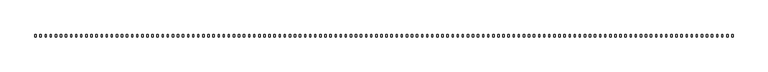
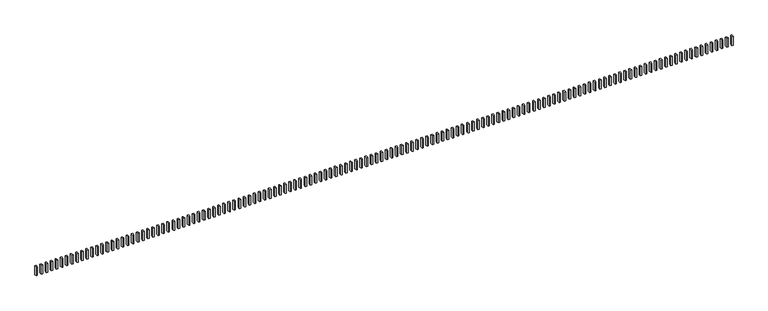
"""IFC4 building model written with IfcOpenShell, lengths in millimetres: railing geometry."""

import ifcopenshell
import ifcopenshell.guid

model = None  # the IFC model being written
_history = None  # IfcOwnerHistory: only IFC2X3 demands one
_inside = {}  # id of a spatial element -> (the spatial element, [elements in it])
_under = {}  # id of a project, library or spatial element -> (it, [spatial elements below it])
_declared = {}  # id of a project -> (the project, [libraries it declares])
_typed = {}  # id of a type object -> (the type object, [elements of that type])
_made_of = {}  # id of a material, layer set ... -> (it, [elements and type objects made of it])


def new_model(schema):
    """Start an empty IFC model of exactly this schema.

    Asked for "IFC4X3", IfcOpenShell would pick the latest addendum, in which some entities
    have other attributes; the version numbers below select the first issue.
    IFC2X3 requires an IfcOwnerHistory on every rooted entity: one is made here for all.
    """
    global model, _history
    if schema == "IFC4X3":
        model = ifcopenshell.file(schema_version=(4, 3, 0, 0))
    else:
        model = ifcopenshell.file(schema=schema)
    _inside.clear()
    _under.clear()
    _declared.clear()
    _typed.clear()
    _made_of.clear()
    _history = None
    if model.schema == "IFC2X3":
        org = make("IfcOrganization", Name="unknown")
        user = make(
            "IfcPersonAndOrganization",
            ThePerson=make("IfcPerson", FamilyName="unknown"),
            TheOrganization=org,
        )
        app = make(
            "IfcApplication",
            ApplicationDeveloper=org,
            Version="unknown",
            ApplicationFullName="unknown",
            ApplicationIdentifier="unknown",
        )
        _history = make(
            "IfcOwnerHistory",
            OwningUser=user,
            OwningApplication=app,
            ChangeAction="ADDED",
            CreationDate=0,
        )
    return model


def make(cls, **values):
    """One entity of the class cls with the attributes given. An attribute that is None is left unset."""
    return model.create_entity(
        cls, **{name: value for name, value in values.items() if value is not None}
    )


def rooted(cls, **values):
    """An entity with a GlobalId (a new one), such as an element, a storey or a relation."""
    return make(cls, GlobalId=ifcopenshell.guid.new(), OwnerHistory=_history, **values)


def si_unit(unit_type, name, prefix=None):
    """IfcSIUnit, for example si_unit("LENGTHUNIT", "METRE", prefix="MILLI")."""
    return make("IfcSIUnit", UnitType=unit_type, Prefix=prefix, Name=name)


def assignment(units):
    """IfcUnitAssignment: the units of a project."""
    return None if units is None else make("IfcUnitAssignment", Units=units)


def point(xyz):
    """IfcCartesianPoint."""
    return None if xyz is None else make("IfcCartesianPoint", Coordinates=xyz)


def direction(xyz):
    """IfcDirection."""
    return None if xyz is None else make("IfcDirection", DirectionRatios=xyz)


def frame(location, z_axis=None, x_axis=None):
    """IfcAxis2Placement3D, a coordinate frame: its origin and axes. An axis left out is left unset."""
    return make(
        "IfcAxis2Placement3D",
        Location=point(location),
        Axis=direction(z_axis),
        RefDirection=direction(x_axis),
    )


def origin():
    """The frame at (0, 0, 0) with its axes left unset."""
    return frame((0.0, 0.0, 0.0))


def place(relative_to, where):
    """IfcLocalPlacement: puts the frame where relative to a parent placement (None: the world)."""
    return make(
        "IfcLocalPlacement", PlacementRelTo=relative_to, RelativePlacement=where
    )


def context(
    kind, dimensions, precision=None, world=None, true_north=None, identifier=None
):
    """IfcGeometricRepresentationContext, for example the 3D "Model" context."""
    return make(
        "IfcGeometricRepresentationContext",
        ContextIdentifier=identifier,
        ContextType=kind,
        CoordinateSpaceDimension=dimensions,
        Precision=precision,
        WorldCoordinateSystem=world,
        TrueNorth=true_north,
    )


def project(units=None, contexts=None):
    """IfcProject with its units and contexts."""
    return rooted(
        "IfcProject",
        Name="project",
        RepresentationContexts=contexts,
        UnitsInContext=assignment(units),
    )


def spatial(cls, under=None, at=None, **own):
    """A site, building, storey or space (cls), placed at a placement, below another one or the project."""
    s = rooted(cls, ObjectPlacement=at, **own)
    if under is not None:
        _under.setdefault(under.id(), (under, []))[1].append(s)
    return s


def polyline(points):
    """IfcPolyline through the points."""
    return make("IfcPolyline", Points=[point(p) for p in points])


def outline(outer, holes=None, kind="AREA"):
    """IfcArbitraryClosedProfileDef: a profile drawn as a closed curve; with holes, ...WithVoids."""
    if holes is None:
        return make("IfcArbitraryClosedProfileDef", ProfileType=kind, OuterCurve=outer)
    return make(
        "IfcArbitraryProfileDefWithVoids",
        ProfileType=kind,
        OuterCurve=outer,
        InnerCurves=holes,
    )


def extrude(swept, where, along, depth):
    """IfcExtrudedAreaSolid: the profile swept, set in the frame where, extruded along a direction by depth."""
    return make(
        "IfcExtrudedAreaSolid",
        SweptArea=swept,
        Position=where,
        ExtrudedDirection=direction(along),
        Depth=depth,
    )


def shape(context_of_items, identifier, shape_type, items):
    """IfcShapeRepresentation: the items that make up one representation, for example the "Body"."""
    return make(
        "IfcShapeRepresentation",
        ContextOfItems=context_of_items,
        RepresentationIdentifier=identifier,
        RepresentationType=shape_type,
        Items=items,
    )


def source(mapping_origin, context_of_items, identifier, shape_type, items):
    """IfcRepresentationMap: a shape defined once, which mapped items show again and again."""
    return make(
        "IfcRepresentationMap",
        MappingOrigin=mapping_origin,
        MappedRepresentation=shape(context_of_items, identifier, shape_type, items),
    )


def transform(
    local_origin,
    x_axis=None,
    y_axis=None,
    z_axis=None,
    scale=None,
    scale2=None,
    scale3=None,
    uniform=True,
):
    """IfcCartesianTransformationOperator3D, or its non-uniform kind. x_axis, y_axis, z_axis: its Axis1, 2, 3."""
    if uniform:
        return make(
            "IfcCartesianTransformationOperator3D",
            Axis1=direction(x_axis),
            Axis2=direction(y_axis),
            LocalOrigin=point(local_origin),
            Scale=scale,
            Axis3=direction(z_axis),
        )
    return make(
        "IfcCartesianTransformationOperator3DnonUniform",
        Axis1=direction(x_axis),
        Axis2=direction(y_axis),
        LocalOrigin=point(local_origin),
        Scale=scale,
        Axis3=direction(z_axis),
        Scale2=scale2,
        Scale3=scale3,
    )


def mapped(mapping_source, mapping_target):
    """IfcMappedItem: shows the shape of a source again, moved by a transform."""
    return make(
        "IfcMappedItem", MappingSource=mapping_source, MappingTarget=mapping_target
    )


def made_of(thing, what):
    """Note that an element or type object is made of a material, layer set ...; save() writes the relation."""
    if what is not None:
        _made_of.setdefault(what.id(), (what, []))[1].append(thing)
    return thing


def element(
    cls,
    number,
    at=None,
    inside=None,
    cuts=None,
    type_object=None,
    material=None,
    context=None,
    identifier="Body",
    shape_type=None,
    held_by="IfcProductDefinitionShape",
    body=None,
    shapes=None,
    **own,
):
    """One element of the class cls, such as IfcWall. Its Tag is "e" and its number.

    at: its placement. inside: the storey or other place that contains it. cuts: it is an
    opening in that element (IfcRelVoidsElement). A single representation is given by context,
    identifier, shape_type and body (its items); several are given by shapes. held_by: the class
    of the entity that holds the representations. save() writes the other relations.
    """
    e = rooted(cls, Tag="e%d" % number, ObjectPlacement=at, **own)
    if body is not None:
        shapes = [shape(context, identifier, shape_type, body)]
    if shapes is not None:
        e.Representation = make(held_by, Representations=shapes)
    if inside is not None:
        _inside.setdefault(inside.id(), (inside, []))[1].append(e)
    if cuts is not None:
        rooted(
            "IfcRelVoidsElement", RelatingBuildingElement=cuts, RelatedOpeningElement=e
        )
    if type_object is not None:
        _typed.setdefault(type_object.id(), (type_object, []))[1].append(e)
    return made_of(e, material)


def aggregate(whole, parts):
    """IfcRelAggregates: a whole, such as a stair, and the parts it consists of."""
    return rooted("IfcRelAggregates", RelatingObject=whole, RelatedObjects=parts)


def save(model, path):
    """Write the relations noted so far, then the file.

    IfcRelAggregates (storeys below a building ...), IfcRelContainedInSpatialStructure (elements
    in a storey), IfcRelDefinesByType, IfcRelAssociatesMaterial and IfcRelDeclares: one each for
    every whole, place, type object, material and project.
    """
    for whole, parts in _under.values():
        aggregate(whole, parts)
    for where, things in _inside.values():
        rooted(
            "IfcRelContainedInSpatialStructure",
            RelatedElements=things,
            RelatingStructure=where,
        )
    for kind, things in _typed.values():
        rooted("IfcRelDefinesByType", RelatedObjects=things, RelatingType=kind)
    for what, things in _made_of.values():
        rooted("IfcRelAssociatesMaterial", RelatedObjects=things, RelatingMaterial=what)
    for by, libraries in _declared.values():
        rooted("IfcRelDeclares", RelatingContext=by, RelatedDefinitions=libraries)
    model.write(path)


def railing_6b6cee79(model_context):
    return source(origin(), model_context, "Body", "SweptSolid", [
        extrude(outline(polyline([(13406.8631266, -7586.7880996), (13436.8631266, -7586.7880996), (13436.8631266, -7639.1640045), (13406.8631266, -7639.1640045), (13406.8631266, -7586.7880996)])), frame((0.0, 0.0, 2666.25), z_axis=(0.0, 0.0, 1.0), x_axis=(1.0, 0.0, 0.0)), (0.0, 0.0, 1.0), 223.0),
        extrude(outline(polyline([(13286.8631266, -7586.7880996), (13316.8631266, -7586.7880996), (13316.8631266, -7639.1640045), (13286.8631266, -7639.1640045), (13286.8631266, -7586.7880996)])), frame((0.0, 0.0, 2666.25), z_axis=(0.0, 0.0, 1.0), x_axis=(1.0, 0.0, 0.0)), (0.0, 0.0, 1.0), 223.0),
        extrude(outline(polyline([(13166.8631266, -7586.7880996), (13196.8631266, -7586.7880996), (13196.8631266, -7639.1640045), (13166.8631266, -7639.1640045), (13166.8631266, -7586.7880996)])), frame((0.0, 0.0, 2666.25), z_axis=(0.0, 0.0, 1.0), x_axis=(1.0, 0.0, 0.0)), (0.0, 0.0, 1.0), 223.0),
        extrude(outline(polyline([(13046.8631266, -7586.7880996), (13076.8631266, -7586.7880996), (13076.8631266, -7639.1640045), (13046.8631266, -7639.1640045), (13046.8631266, -7586.7880996)])), frame((0.0, 0.0, 2666.25), z_axis=(0.0, 0.0, 1.0), x_axis=(1.0, 0.0, 0.0)), (0.0, 0.0, 1.0), 223.0),
        extrude(outline(polyline([(12926.8631266, -7586.7880996), (12956.8631266, -7586.7880996), (12956.8631266, -7639.1640045), (12926.8631266, -7639.1640045), (12926.8631266, -7586.7880996)])), frame((0.0, 0.0, 2666.25), z_axis=(0.0, 0.0, 1.0), x_axis=(1.0, 0.0, 0.0)), (0.0, 0.0, 1.0), 223.0),
        extrude(outline(polyline([(12806.8631266, -7586.7880996), (12836.8631266, -7586.7880996), (12836.8631266, -7639.1640045), (12806.8631266, -7639.1640045), (12806.8631266, -7586.7880996)])), frame((0.0, 0.0, 2666.25), z_axis=(0.0, 0.0, 1.0), x_axis=(1.0, 0.0, 0.0)), (0.0, 0.0, 1.0), 223.0),
        extrude(outline(polyline([(12686.8631266, -7586.7880996), (12716.8631266, -7586.7880996), (12716.8631266, -7639.1640045), (12686.8631266, -7639.1640045), (12686.8631266, -7586.7880996)])), frame((0.0, 0.0, 2666.25), z_axis=(0.0, 0.0, 1.0), x_axis=(1.0, 0.0, 0.0)), (0.0, 0.0, 1.0), 223.0),
        extrude(outline(polyline([(12566.8631266, -7586.7880996), (12596.8631266, -7586.7880996), (12596.8631266, -7639.1640045), (12566.8631266, -7639.1640045), (12566.8631266, -7586.7880996)])), frame((0.0, 0.0, 2666.25), z_axis=(0.0, 0.0, 1.0), x_axis=(1.0, 0.0, 0.0)), (0.0, 0.0, 1.0), 223.0),
        extrude(outline(polyline([(12446.8631266, -7586.7880996), (12476.8631266, -7586.7880996), (12476.8631266, -7639.1640045), (12446.8631266, -7639.1640045), (12446.8631266, -7586.7880996)])), frame((0.0, 0.0, 2666.25), z_axis=(0.0, 0.0, 1.0), x_axis=(1.0, 0.0, 0.0)), (0.0, 0.0, 1.0), 223.0),
        extrude(outline(polyline([(12326.8631266, -7586.7880996), (12356.8631266, -7586.7880996), (12356.8631266, -7639.1640045), (12326.8631266, -7639.1640045), (12326.8631266, -7586.7880996)])), frame((0.0, 0.0, 2666.25), z_axis=(0.0, 0.0, 1.0), x_axis=(1.0, 0.0, 0.0)), (0.0, 0.0, 1.0), 223.0),
        extrude(outline(polyline([(12206.8631266, -7586.7880996), (12236.8631266, -7586.7880996), (12236.8631266, -7639.1640045), (12206.8631266, -7639.1640045), (12206.8631266, -7586.7880996)])), frame((0.0, 0.0, 2666.25), z_axis=(0.0, 0.0, 1.0), x_axis=(1.0, 0.0, 0.0)), (0.0, 0.0, 1.0), 223.0),
        extrude(outline(polyline([(12086.8631266, -7586.7880996), (12116.8631266, -7586.7880996), (12116.8631266, -7639.1640045), (12086.8631266, -7639.1640045), (12086.8631266, -7586.7880996)])), frame((0.0, 0.0, 2666.25), z_axis=(0.0, 0.0, 1.0), x_axis=(1.0, 0.0, 0.0)), (0.0, 0.0, 1.0), 223.0),
        extrude(outline(polyline([(11966.8631266, -7586.7880996), (11996.8631266, -7586.7880996), (11996.8631266, -7639.1640045), (11966.8631266, -7639.1640045), (11966.8631266, -7586.7880996)])), frame((0.0, 0.0, 2666.25), z_axis=(0.0, 0.0, 1.0), x_axis=(1.0, 0.0, 0.0)), (0.0, 0.0, 1.0), 223.0),
        extrude(outline(polyline([(11846.8631266, -7586.7880996), (11876.8631266, -7586.7880996), (11876.8631266, -7639.1640045), (11846.8631266, -7639.1640045), (11846.8631266, -7586.7880996)])), frame((0.0, 0.0, 2666.25), z_axis=(0.0, 0.0, 1.0), x_axis=(1.0, 0.0, 0.0)), (0.0, 0.0, 1.0), 223.0),
        extrude(outline(polyline([(11726.8631266, -7586.7880996), (11756.8631266, -7586.7880996), (11756.8631266, -7639.1640045), (11726.8631266, -7639.1640045), (11726.8631266, -7586.7880996)])), frame((0.0, 0.0, 2666.25), z_axis=(0.0, 0.0, 1.0), x_axis=(1.0, 0.0, 0.0)), (0.0, 0.0, 1.0), 223.0),
        extrude(outline(polyline([(11606.8631266, -7586.7880996), (11636.8631266, -7586.7880996), (11636.8631266, -7639.1640045), (11606.8631266, -7639.1640045), (11606.8631266, -7586.7880996)])), frame((0.0, 0.0, 2666.25), z_axis=(0.0, 0.0, 1.0), x_axis=(1.0, 0.0, 0.0)), (0.0, 0.0, 1.0), 223.0),
        extrude(outline(polyline([(11486.8631266, -7586.7880996), (11516.8631266, -7586.7880996), (11516.8631266, -7639.1640045), (11486.8631266, -7639.1640045), (11486.8631266, -7586.7880996)])), frame((0.0, 0.0, 2666.25), z_axis=(0.0, 0.0, 1.0), x_axis=(1.0, 0.0, 0.0)), (0.0, 0.0, 1.0), 223.0),
        extrude(outline(polyline([(11366.8631266, -7586.7880996), (11396.8631266, -7586.7880996), (11396.8631266, -7639.1640045), (11366.8631266, -7639.1640045), (11366.8631266, -7586.7880996)])), frame((0.0, 0.0, 2666.25), z_axis=(0.0, 0.0, 1.0), x_axis=(1.0, 0.0, 0.0)), (0.0, 0.0, 1.0), 223.0),
        extrude(outline(polyline([(11246.8631266, -7586.7880996), (11276.8631266, -7586.7880996), (11276.8631266, -7639.1640045), (11246.8631266, -7639.1640045), (11246.8631266, -7586.7880996)])), frame((0.0, 0.0, 2666.25), z_axis=(0.0, 0.0, 1.0), x_axis=(1.0, 0.0, 0.0)), (0.0, 0.0, 1.0), 223.0),
        extrude(outline(polyline([(11126.8631266, -7586.7880996), (11156.8631266, -7586.7880996), (11156.8631266, -7639.1640045), (11126.8631266, -7639.1640045), (11126.8631266, -7586.7880996)])), frame((0.0, 0.0, 2666.25), z_axis=(0.0, 0.0, 1.0), x_axis=(1.0, 0.0, 0.0)), (0.0, 0.0, 1.0), 223.0),
        extrude(outline(polyline([(11006.8631266, -7586.7880996), (11036.8631266, -7586.7880996), (11036.8631266, -7639.1640045), (11006.8631266, -7639.1640045), (11006.8631266, -7586.7880996)])), frame((0.0, 0.0, 2666.25), z_axis=(0.0, 0.0, 1.0), x_axis=(1.0, 0.0, 0.0)), (0.0, 0.0, 1.0), 223.0),
        extrude(outline(polyline([(10886.8631266, -7586.7880996), (10916.8631266, -7586.7880996), (10916.8631266, -7639.1640045), (10886.8631266, -7639.1640045), (10886.8631266, -7586.7880996)])), frame((0.0, 0.0, 2666.25), z_axis=(0.0, 0.0, 1.0), x_axis=(1.0, 0.0, 0.0)), (0.0, 0.0, 1.0), 223.0),
        extrude(outline(polyline([(10766.8631266, -7586.7880996), (10796.8631266, -7586.7880996), (10796.8631266, -7639.1640045), (10766.8631266, -7639.1640045), (10766.8631266, -7586.7880996)])), frame((0.0, 0.0, 2666.25), z_axis=(0.0, 0.0, 1.0), x_axis=(1.0, 0.0, 0.0)), (0.0, 0.0, 1.0), 223.0),
        extrude(outline(polyline([(10646.8631266, -7586.7880996), (10676.8631266, -7586.7880996), (10676.8631266, -7639.1640045), (10646.8631266, -7639.1640045), (10646.8631266, -7586.7880996)])), frame((0.0, 0.0, 2666.25), z_axis=(0.0, 0.0, 1.0), x_axis=(1.0, 0.0, 0.0)), (0.0, 0.0, 1.0), 223.0),
        extrude(outline(polyline([(10526.8631266, -7586.7880996), (10556.8631266, -7586.7880996), (10556.8631266, -7639.1640045), (10526.8631266, -7639.1640045), (10526.8631266, -7586.7880996)])), frame((0.0, 0.0, 2666.25), z_axis=(0.0, 0.0, 1.0), x_axis=(1.0, 0.0, 0.0)), (0.0, 0.0, 1.0), 223.0),
        extrude(outline(polyline([(10406.8631266, -7586.7880996), (10436.8631266, -7586.7880996), (10436.8631266, -7639.1640045), (10406.8631266, -7639.1640045), (10406.8631266, -7586.7880996)])), frame((0.0, 0.0, 2666.25), z_axis=(0.0, 0.0, 1.0), x_axis=(1.0, 0.0, 0.0)), (0.0, 0.0, 1.0), 223.0),
        extrude(outline(polyline([(10286.8631266, -7586.7880996), (10316.8631266, -7586.7880996), (10316.8631266, -7639.1640045), (10286.8631266, -7639.1640045), (10286.8631266, -7586.7880996)])), frame((0.0, 0.0, 2666.25), z_axis=(0.0, 0.0, 1.0), x_axis=(1.0, 0.0, 0.0)), (0.0, 0.0, 1.0), 223.0),
        extrude(outline(polyline([(10166.8631266, -7586.7880996), (10196.8631266, -7586.7880996), (10196.8631266, -7639.1640045), (10166.8631266, -7639.1640045), (10166.8631266, -7586.7880996)])), frame((0.0, 0.0, 2666.25), z_axis=(0.0, 0.0, 1.0), x_axis=(1.0, 0.0, 0.0)), (0.0, 0.0, 1.0), 223.0),
        extrude(outline(polyline([(10046.8631266, -7586.7880996), (10076.8631266, -7586.7880996), (10076.8631266, -7639.1640045), (10046.8631266, -7639.1640045), (10046.8631266, -7586.7880996)])), frame((0.0, 0.0, 2666.25), z_axis=(0.0, 0.0, 1.0), x_axis=(1.0, 0.0, 0.0)), (0.0, 0.0, 1.0), 223.0),
        extrude(outline(polyline([(9926.8631266, -7586.7880996), (9956.8631266, -7586.7880996), (9956.8631266, -7639.1640045), (9926.8631266, -7639.1640045), (9926.8631266, -7586.7880996)])), frame((0.0, 0.0, 2666.25), z_axis=(0.0, 0.0, 1.0), x_axis=(1.0, 0.0, 0.0)), (0.0, 0.0, 1.0), 223.0),
        extrude(outline(polyline([(9806.8631266, -7586.7880996), (9836.8631266, -7586.7880996), (9836.8631266, -7639.1640045), (9806.8631266, -7639.1640045), (9806.8631266, -7586.7880996)])), frame((0.0, 0.0, 2666.25), z_axis=(0.0, 0.0, 1.0), x_axis=(1.0, 0.0, 0.0)), (0.0, 0.0, 1.0), 223.0),
        extrude(outline(polyline([(9686.8631266, -7586.7880996), (9716.8631266, -7586.7880996), (9716.8631266, -7639.1640045), (9686.8631266, -7639.1640045), (9686.8631266, -7586.7880996)])), frame((0.0, 0.0, 2666.25), z_axis=(0.0, 0.0, 1.0), x_axis=(1.0, 0.0, 0.0)), (0.0, 0.0, 1.0), 223.0),
        extrude(outline(polyline([(9566.8631266, -7586.7880996), (9596.8631266, -7586.7880996), (9596.8631266, -7639.1640045), (9566.8631266, -7639.1640045), (9566.8631266, -7586.7880996)])), frame((0.0, 0.0, 2666.25), z_axis=(0.0, 0.0, 1.0), x_axis=(1.0, 0.0, 0.0)), (0.0, 0.0, 1.0), 223.0),
        extrude(outline(polyline([(9446.8631266, -7586.7880996), (9476.8631266, -7586.7880996), (9476.8631266, -7639.1640045), (9446.8631266, -7639.1640045), (9446.8631266, -7586.7880996)])), frame((0.0, 0.0, 2666.25), z_axis=(0.0, 0.0, 1.0), x_axis=(1.0, 0.0, 0.0)), (0.0, 0.0, 1.0), 223.0),
        extrude(outline(polyline([(9326.8631266, -7586.7880996), (9356.8631266, -7586.7880996), (9356.8631266, -7639.1640045), (9326.8631266, -7639.1640045), (9326.8631266, -7586.7880996)])), frame((0.0, 0.0, 2666.25), z_axis=(0.0, 0.0, 1.0), x_axis=(1.0, 0.0, 0.0)), (0.0, 0.0, 1.0), 223.0),
        extrude(outline(polyline([(9206.8631266, -7586.7880996), (9236.8631266, -7586.7880996), (9236.8631266, -7639.1640045), (9206.8631266, -7639.1640045), (9206.8631266, -7586.7880996)])), frame((0.0, 0.0, 2666.25), z_axis=(0.0, 0.0, 1.0), x_axis=(1.0, 0.0, 0.0)), (0.0, 0.0, 1.0), 223.0),
        extrude(outline(polyline([(9086.8631266, -7586.7880996), (9116.8631266, -7586.7880996), (9116.8631266, -7639.1640045), (9086.8631266, -7639.1640045), (9086.8631266, -7586.7880996)])), frame((0.0, 0.0, 2666.25), z_axis=(0.0, 0.0, 1.0), x_axis=(1.0, 0.0, 0.0)), (0.0, 0.0, 1.0), 223.0),
        extrude(outline(polyline([(8966.8631266, -7586.7880996), (8996.8631266, -7586.7880996), (8996.8631266, -7639.1640045), (8966.8631266, -7639.1640045), (8966.8631266, -7586.7880996)])), frame((0.0, 0.0, 2666.25), z_axis=(0.0, 0.0, 1.0), x_axis=(1.0, 0.0, 0.0)), (0.0, 0.0, 1.0), 223.0),
        extrude(outline(polyline([(8846.8631266, -7586.7880996), (8876.8631266, -7586.7880996), (8876.8631266, -7639.1640045), (8846.8631266, -7639.1640045), (8846.8631266, -7586.7880996)])), frame((0.0, 0.0, 2666.25), z_axis=(0.0, 0.0, 1.0), x_axis=(1.0, 0.0, 0.0)), (0.0, 0.0, 1.0), 223.0),
        extrude(outline(polyline([(8726.8631266, -7586.7880996), (8756.8631266, -7586.7880996), (8756.8631266, -7639.1640045), (8726.8631266, -7639.1640045), (8726.8631266, -7586.7880996)])), frame((0.0, 0.0, 2666.25), z_axis=(0.0, 0.0, 1.0), x_axis=(1.0, 0.0, 0.0)), (0.0, 0.0, 1.0), 223.0),
        extrude(outline(polyline([(8606.8631266, -7586.7880996), (8636.8631266, -7586.7880996), (8636.8631266, -7639.1640045), (8606.8631266, -7639.1640045), (8606.8631266, -7586.7880996)])), frame((0.0, 0.0, 2666.25), z_axis=(0.0, 0.0, 1.0), x_axis=(1.0, 0.0, 0.0)), (0.0, 0.0, 1.0), 223.0),
        extrude(outline(polyline([(8486.8631266, -7586.7880996), (8516.8631266, -7586.7880996), (8516.8631266, -7639.1640045), (8486.8631266, -7639.1640045), (8486.8631266, -7586.7880996)])), frame((0.0, 0.0, 2666.25), z_axis=(0.0, 0.0, 1.0), x_axis=(1.0, 0.0, 0.0)), (0.0, 0.0, 1.0), 223.0),
        extrude(outline(polyline([(8366.8631266, -7586.7880996), (8396.8631266, -7586.7880996), (8396.8631266, -7639.1640045), (8366.8631266, -7639.1640045), (8366.8631266, -7586.7880996)])), frame((0.0, 0.0, 2666.25), z_axis=(0.0, 0.0, 1.0), x_axis=(1.0, 0.0, 0.0)), (0.0, 0.0, 1.0), 223.0),
        extrude(outline(polyline([(8246.8631266, -7586.7880996), (8276.8631266, -7586.7880996), (8276.8631266, -7639.1640045), (8246.8631266, -7639.1640045), (8246.8631266, -7586.7880996)])), frame((0.0, 0.0, 2666.25), z_axis=(0.0, 0.0, 1.0), x_axis=(1.0, 0.0, 0.0)), (0.0, 0.0, 1.0), 223.0),
        extrude(outline(polyline([(8126.8631266, -7586.7880996), (8156.8631266, -7586.7880996), (8156.8631266, -7639.1640045), (8126.8631266, -7639.1640045), (8126.8631266, -7586.7880996)])), frame((0.0, 0.0, 2666.25), z_axis=(0.0, 0.0, 1.0), x_axis=(1.0, 0.0, 0.0)), (0.0, 0.0, 1.0), 223.0),
        extrude(outline(polyline([(8006.8631266, -7586.7880996), (8036.8631266, -7586.7880996), (8036.8631266, -7639.1640045), (8006.8631266, -7639.1640045), (8006.8631266, -7586.7880996)])), frame((0.0, 0.0, 2666.25), z_axis=(0.0, 0.0, 1.0), x_axis=(1.0, 0.0, 0.0)), (0.0, 0.0, 1.0), 223.0),
        extrude(outline(polyline([(7886.8631266, -7586.7880996), (7916.8631266, -7586.7880996), (7916.8631266, -7639.1640045), (7886.8631266, -7639.1640045), (7886.8631266, -7586.7880996)])), frame((0.0, 0.0, 2666.25), z_axis=(0.0, 0.0, 1.0), x_axis=(1.0, 0.0, 0.0)), (0.0, 0.0, 1.0), 223.0),
        extrude(outline(polyline([(7766.8631266, -7586.7880996), (7796.8631266, -7586.7880996), (7796.8631266, -7639.1640045), (7766.8631266, -7639.1640045), (7766.8631266, -7586.7880996)])), frame((0.0, 0.0, 2666.25), z_axis=(0.0, 0.0, 1.0), x_axis=(1.0, 0.0, 0.0)), (0.0, 0.0, 1.0), 223.0),
        extrude(outline(polyline([(7646.8631266, -7586.7880996), (7676.8631266, -7586.7880996), (7676.8631266, -7639.1640045), (7646.8631266, -7639.1640045), (7646.8631266, -7586.7880996)])), frame((0.0, 0.0, 2666.25), z_axis=(0.0, 0.0, 1.0), x_axis=(1.0, 0.0, 0.0)), (0.0, 0.0, 1.0), 223.0),
        extrude(outline(polyline([(7526.8631266, -7586.7880996), (7556.8631266, -7586.7880996), (7556.8631266, -7639.1640045), (7526.8631266, -7639.1640045), (7526.8631266, -7586.7880996)])), frame((0.0, 0.0, 2666.25), z_axis=(0.0, 0.0, 1.0), x_axis=(1.0, 0.0, 0.0)), (0.0, 0.0, 1.0), 223.0),
        extrude(outline(polyline([(7406.8631266, -7586.7880996), (7436.8631266, -7586.7880996), (7436.8631266, -7639.1640045), (7406.8631266, -7639.1640045), (7406.8631266, -7586.7880996)])), frame((0.0, 0.0, 2666.25), z_axis=(0.0, 0.0, 1.0), x_axis=(1.0, 0.0, 0.0)), (0.0, 0.0, 1.0), 223.0),
        extrude(outline(polyline([(7286.8631266, -7586.7880996), (7316.8631266, -7586.7880996), (7316.8631266, -7639.1640045), (7286.8631266, -7639.1640045), (7286.8631266, -7586.7880996)])), frame((0.0, 0.0, 2666.25), z_axis=(0.0, 0.0, 1.0), x_axis=(1.0, 0.0, 0.0)), (0.0, 0.0, 1.0), 223.0),
        extrude(outline(polyline([(7166.8631266, -7586.7880996), (7196.8631266, -7586.7880996), (7196.8631266, -7639.1640045), (7166.8631266, -7639.1640045), (7166.8631266, -7586.7880996)])), frame((0.0, 0.0, 2666.25), z_axis=(0.0, 0.0, 1.0), x_axis=(1.0, 0.0, 0.0)), (0.0, 0.0, 1.0), 223.0),
        extrude(outline(polyline([(7046.8631266, -7586.7880996), (7076.8631266, -7586.7880996), (7076.8631266, -7639.1640045), (7046.8631266, -7639.1640045), (7046.8631266, -7586.7880996)])), frame((0.0, 0.0, 2666.25), z_axis=(0.0, 0.0, 1.0), x_axis=(1.0, 0.0, 0.0)), (0.0, 0.0, 1.0), 223.0),
        extrude(outline(polyline([(6926.8631266, -7586.7880996), (6956.8631266, -7586.7880996), (6956.8631266, -7639.1640045), (6926.8631266, -7639.1640045), (6926.8631266, -7586.7880996)])), frame((0.0, 0.0, 2666.25), z_axis=(0.0, 0.0, 1.0), x_axis=(1.0, 0.0, 0.0)), (0.0, 0.0, 1.0), 223.0),
        extrude(outline(polyline([(6806.8631266, -7586.7880996), (6836.8631266, -7586.7880996), (6836.8631266, -7639.1640045), (6806.8631266, -7639.1640045), (6806.8631266, -7586.7880996)])), frame((0.0, 0.0, 2666.25), z_axis=(0.0, 0.0, 1.0), x_axis=(1.0, 0.0, 0.0)), (0.0, 0.0, 1.0), 223.0),
        extrude(outline(polyline([(6686.8631266, -7586.7880996), (6716.8631266, -7586.7880996), (6716.8631266, -7639.1640045), (6686.8631266, -7639.1640045), (6686.8631266, -7586.7880996)])), frame((0.0, 0.0, 2666.25), z_axis=(0.0, 0.0, 1.0), x_axis=(1.0, 0.0, 0.0)), (0.0, 0.0, 1.0), 223.0),
        extrude(outline(polyline([(6566.8631266, -7586.7880996), (6596.8631266, -7586.7880996), (6596.8631266, -7639.1640045), (6566.8631266, -7639.1640045), (6566.8631266, -7586.7880996)])), frame((0.0, 0.0, 2666.25), z_axis=(0.0, 0.0, 1.0), x_axis=(1.0, 0.0, 0.0)), (0.0, 0.0, 1.0), 223.0),
        extrude(outline(polyline([(6446.8631266, -7586.7880996), (6476.8631266, -7586.7880996), (6476.8631266, -7639.1640045), (6446.8631266, -7639.1640045), (6446.8631266, -7586.7880996)])), frame((0.0, 0.0, 2666.25), z_axis=(0.0, 0.0, 1.0), x_axis=(1.0, 0.0, 0.0)), (0.0, 0.0, 1.0), 223.0),
        extrude(outline(polyline([(6326.8631266, -7586.7880996), (6356.8631266, -7586.7880996), (6356.8631266, -7639.1640045), (6326.8631266, -7639.1640045), (6326.8631266, -7586.7880996)])), frame((0.0, 0.0, 2666.25), z_axis=(0.0, 0.0, 1.0), x_axis=(1.0, 0.0, 0.0)), (0.0, 0.0, 1.0), 223.0),
        extrude(outline(polyline([(6206.8631266, -7586.7880996), (6236.8631266, -7586.7880996), (6236.8631266, -7639.1640045), (6206.8631266, -7639.1640045), (6206.8631266, -7586.7880996)])), frame((0.0, 0.0, 2666.25), z_axis=(0.0, 0.0, 1.0), x_axis=(1.0, 0.0, 0.0)), (0.0, 0.0, 1.0), 223.0),
        extrude(outline(polyline([(6086.8631266, -7586.7880996), (6116.8631266, -7586.7880996), (6116.8631266, -7639.1640045), (6086.8631266, -7639.1640045), (6086.8631266, -7586.7880996)])), frame((0.0, 0.0, 2666.25), z_axis=(0.0, 0.0, 1.0), x_axis=(1.0, 0.0, 0.0)), (0.0, 0.0, 1.0), 223.0),
        extrude(outline(polyline([(5966.8631266, -7586.7880996), (5996.8631266, -7586.7880996), (5996.8631266, -7639.1640045), (5966.8631266, -7639.1640045), (5966.8631266, -7586.7880996)])), frame((0.0, 0.0, 2666.25), z_axis=(0.0, 0.0, 1.0), x_axis=(1.0, 0.0, 0.0)), (0.0, 0.0, 1.0), 223.0),
        extrude(outline(polyline([(5846.8631266, -7586.7880996), (5876.8631266, -7586.7880996), (5876.8631266, -7639.1640045), (5846.8631266, -7639.1640045), (5846.8631266, -7586.7880996)])), frame((0.0, 0.0, 2666.25), z_axis=(0.0, 0.0, 1.0), x_axis=(1.0, 0.0, 0.0)), (0.0, 0.0, 1.0), 223.0),
        extrude(outline(polyline([(5726.8631266, -7586.7880996), (5756.8631266, -7586.7880996), (5756.8631266, -7639.1640045), (5726.8631266, -7639.1640045), (5726.8631266, -7586.7880996)])), frame((0.0, 0.0, 2666.25), z_axis=(0.0, 0.0, 1.0), x_axis=(1.0, 0.0, 0.0)), (0.0, 0.0, 1.0), 223.0),
        extrude(outline(polyline([(5606.8631266, -7586.7880996), (5636.8631266, -7586.7880996), (5636.8631266, -7639.1640045), (5606.8631266, -7639.1640045), (5606.8631266, -7586.7880996)])), frame((0.0, 0.0, 2666.25), z_axis=(0.0, 0.0, 1.0), x_axis=(1.0, 0.0, 0.0)), (0.0, 0.0, 1.0), 223.0),
        extrude(outline(polyline([(5486.8631266, -7586.7880996), (5516.8631266, -7586.7880996), (5516.8631266, -7639.1640045), (5486.8631266, -7639.1640045), (5486.8631266, -7586.7880996)])), frame((0.0, 0.0, 2666.25), z_axis=(0.0, 0.0, 1.0), x_axis=(1.0, 0.0, 0.0)), (0.0, 0.0, 1.0), 223.0),
        extrude(outline(polyline([(5366.8631266, -7586.7880996), (5396.8631266, -7586.7880996), (5396.8631266, -7639.1640045), (5366.8631266, -7639.1640045), (5366.8631266, -7586.7880996)])), frame((0.0, 0.0, 2666.25), z_axis=(0.0, 0.0, 1.0), x_axis=(1.0, 0.0, 0.0)), (0.0, 0.0, 1.0), 223.0),
        extrude(outline(polyline([(5246.8631266, -7586.7880996), (5276.8631266, -7586.7880996), (5276.8631266, -7639.1640045), (5246.8631266, -7639.1640045), (5246.8631266, -7586.7880996)])), frame((0.0, 0.0, 2666.25), z_axis=(0.0, 0.0, 1.0), x_axis=(1.0, 0.0, 0.0)), (0.0, 0.0, 1.0), 223.0),
        extrude(outline(polyline([(5126.8631266, -7586.7880996), (5156.8631266, -7586.7880996), (5156.8631266, -7639.1640045), (5126.8631266, -7639.1640045), (5126.8631266, -7586.7880996)])), frame((0.0, 0.0, 2666.25), z_axis=(0.0, 0.0, 1.0), x_axis=(1.0, 0.0, 0.0)), (0.0, 0.0, 1.0), 223.0),
        extrude(outline(polyline([(5006.8631266, -7586.7880996), (5036.8631266, -7586.7880996), (5036.8631266, -7639.1640045), (5006.8631266, -7639.1640045), (5006.8631266, -7586.7880996)])), frame((0.0, 0.0, 2666.25), z_axis=(0.0, 0.0, 1.0), x_axis=(1.0, 0.0, 0.0)), (0.0, 0.0, 1.0), 223.0),
        extrude(outline(polyline([(4886.8631266, -7586.7880996), (4916.8631266, -7586.7880996), (4916.8631266, -7639.1640045), (4886.8631266, -7639.1640045), (4886.8631266, -7586.7880996)])), frame((0.0, 0.0, 2666.25), z_axis=(0.0, 0.0, 1.0), x_axis=(1.0, 0.0, 0.0)), (0.0, 0.0, 1.0), 223.0),
        extrude(outline(polyline([(4766.8631266, -7586.7880996), (4796.8631266, -7586.7880996), (4796.8631266, -7639.1640045), (4766.8631266, -7639.1640045), (4766.8631266, -7586.7880996)])), frame((0.0, 0.0, 2666.25), z_axis=(0.0, 0.0, 1.0), x_axis=(1.0, 0.0, 0.0)), (0.0, 0.0, 1.0), 223.0),
        extrude(outline(polyline([(4646.8631266, -7586.7880996), (4676.8631266, -7586.7880996), (4676.8631266, -7639.1640045), (4646.8631266, -7639.1640045), (4646.8631266, -7586.7880996)])), frame((0.0, 0.0, 2666.25), z_axis=(0.0, 0.0, 1.0), x_axis=(1.0, 0.0, 0.0)), (0.0, 0.0, 1.0), 223.0),
        extrude(outline(polyline([(4526.8631266, -7586.7880996), (4556.8631266, -7586.7880996), (4556.8631266, -7639.1640045), (4526.8631266, -7639.1640045), (4526.8631266, -7586.7880996)])), frame((0.0, 0.0, 2666.25), z_axis=(0.0, 0.0, 1.0), x_axis=(1.0, 0.0, 0.0)), (0.0, 0.0, 1.0), 223.0),
        extrude(outline(polyline([(4406.8631266, -7586.7880996), (4436.8631266, -7586.7880996), (4436.8631266, -7639.1640045), (4406.8631266, -7639.1640045), (4406.8631266, -7586.7880996)])), frame((0.0, 0.0, 2666.25), z_axis=(0.0, 0.0, 1.0), x_axis=(1.0, 0.0, 0.0)), (0.0, 0.0, 1.0), 223.0),
        extrude(outline(polyline([(4286.8631266, -7586.7880996), (4316.8631266, -7586.7880996), (4316.8631266, -7639.1640045), (4286.8631266, -7639.1640045), (4286.8631266, -7586.7880996)])), frame((0.0, 0.0, 2666.25), z_axis=(0.0, 0.0, 1.0), x_axis=(1.0, 0.0, 0.0)), (0.0, 0.0, 1.0), 223.0),
        extrude(outline(polyline([(4166.8631266, -7586.7880996), (4196.8631266, -7586.7880996), (4196.8631266, -7639.1640045), (4166.8631266, -7639.1640045), (4166.8631266, -7586.7880996)])), frame((0.0, 0.0, 2666.25), z_axis=(0.0, 0.0, 1.0), x_axis=(1.0, 0.0, 0.0)), (0.0, 0.0, 1.0), 223.0),
        extrude(outline(polyline([(4046.8631266, -7586.7880996), (4076.8631266, -7586.7880996), (4076.8631266, -7639.1640045), (4046.8631266, -7639.1640045), (4046.8631266, -7586.7880996)])), frame((0.0, 0.0, 2666.25), z_axis=(0.0, 0.0, 1.0), x_axis=(1.0, 0.0, 0.0)), (0.0, 0.0, 1.0), 223.0),
        extrude(outline(polyline([(3926.8631266, -7586.7880996), (3956.8631266, -7586.7880996), (3956.8631266, -7639.1640045), (3926.8631266, -7639.1640045), (3926.8631266, -7586.7880996)])), frame((0.0, 0.0, 2666.25), z_axis=(0.0, 0.0, 1.0), x_axis=(1.0, 0.0, 0.0)), (0.0, 0.0, 1.0), 223.0),
        extrude(outline(polyline([(3806.8631266, -7586.7880996), (3836.8631266, -7586.7880996), (3836.8631266, -7639.1640045), (3806.8631266, -7639.1640045), (3806.8631266, -7586.7880996)])), frame((0.0, 0.0, 2666.25), z_axis=(0.0, 0.0, 1.0), x_axis=(1.0, 0.0, 0.0)), (0.0, 0.0, 1.0), 223.0),
        extrude(outline(polyline([(3686.8631266, -7586.7880996), (3716.8631266, -7586.7880996), (3716.8631266, -7639.1640045), (3686.8631266, -7639.1640045), (3686.8631266, -7586.7880996)])), frame((0.0, 0.0, 2666.25), z_axis=(0.0, 0.0, 1.0), x_axis=(1.0, 0.0, 0.0)), (0.0, 0.0, 1.0), 223.0),
        extrude(outline(polyline([(3566.8631266, -7586.7880996), (3596.8631266, -7586.7880996), (3596.8631266, -7639.1640045), (3566.8631266, -7639.1640045), (3566.8631266, -7586.7880996)])), frame((0.0, 0.0, 2666.25), z_axis=(0.0, 0.0, 1.0), x_axis=(1.0, 0.0, 0.0)), (0.0, 0.0, 1.0), 223.0),
        extrude(outline(polyline([(3446.8631266, -7586.7880996), (3476.8631266, -7586.7880996), (3476.8631266, -7639.1640045), (3446.8631266, -7639.1640045), (3446.8631266, -7586.7880996)])), frame((0.0, 0.0, 2666.25), z_axis=(0.0, 0.0, 1.0), x_axis=(1.0, 0.0, 0.0)), (0.0, 0.0, 1.0), 223.0),
        extrude(outline(polyline([(3326.8631266, -7586.7880996), (3356.8631266, -7586.7880996), (3356.8631266, -7639.1640045), (3326.8631266, -7639.1640045), (3326.8631266, -7586.7880996)])), frame((0.0, 0.0, 2666.25), z_axis=(0.0, 0.0, 1.0), x_axis=(1.0, 0.0, 0.0)), (0.0, 0.0, 1.0), 223.0),
        extrude(outline(polyline([(3206.8631266, -7586.7880996), (3236.8631266, -7586.7880996), (3236.8631266, -7639.1640045), (3206.8631266, -7639.1640045), (3206.8631266, -7586.7880996)])), frame((0.0, 0.0, 2666.25), z_axis=(0.0, 0.0, 1.0), x_axis=(1.0, 0.0, 0.0)), (0.0, 0.0, 1.0), 223.0),
        extrude(outline(polyline([(3086.8631266, -7586.7880996), (3116.8631266, -7586.7880996), (3116.8631266, -7639.1640045), (3086.8631266, -7639.1640045), (3086.8631266, -7586.7880996)])), frame((0.0, 0.0, 2666.25), z_axis=(0.0, 0.0, 1.0), x_axis=(1.0, 0.0, 0.0)), (0.0, 0.0, 1.0), 223.0),
        extrude(outline(polyline([(2966.8631266, -7586.7880996), (2996.8631266, -7586.7880996), (2996.8631266, -7639.1640045), (2966.8631266, -7639.1640045), (2966.8631266, -7586.7880996)])), frame((0.0, 0.0, 2666.25), z_axis=(0.0, 0.0, 1.0), x_axis=(1.0, 0.0, 0.0)), (0.0, 0.0, 1.0), 223.0),
        extrude(outline(polyline([(2846.8631266, -7586.7880996), (2876.8631266, -7586.7880996), (2876.8631266, -7639.1640045), (2846.8631266, -7639.1640045), (2846.8631266, -7586.7880996)])), frame((0.0, 0.0, 2666.25), z_axis=(0.0, 0.0, 1.0), x_axis=(1.0, 0.0, 0.0)), (0.0, 0.0, 1.0), 223.0),
        extrude(outline(polyline([(2726.8631266, -7586.7880996), (2756.8631266, -7586.7880996), (2756.8631266, -7639.1640045), (2726.8631266, -7639.1640045), (2726.8631266, -7586.7880996)])), frame((0.0, 0.0, 2666.25), z_axis=(0.0, 0.0, 1.0), x_axis=(1.0, 0.0, 0.0)), (0.0, 0.0, 1.0), 223.0),
        extrude(outline(polyline([(2606.8631266, -7586.7880996), (2636.8631266, -7586.7880996), (2636.8631266, -7639.1640045), (2606.8631266, -7639.1640045), (2606.8631266, -7586.7880996)])), frame((0.0, 0.0, 2666.25), z_axis=(0.0, 0.0, 1.0), x_axis=(1.0, 0.0, 0.0)), (0.0, 0.0, 1.0), 223.0),
        extrude(outline(polyline([(2486.8631266, -7586.7880996), (2516.8631266, -7586.7880996), (2516.8631266, -7639.1640045), (2486.8631266, -7639.1640045), (2486.8631266, -7586.7880996)])), frame((0.0, 0.0, 2666.25), z_axis=(0.0, 0.0, 1.0), x_axis=(1.0, 0.0, 0.0)), (0.0, 0.0, 1.0), 223.0),
        extrude(outline(polyline([(2366.8631266, -7586.7880996), (2396.8631266, -7586.7880996), (2396.8631266, -7639.1640045), (2366.8631266, -7639.1640045), (2366.8631266, -7586.7880996)])), frame((0.0, 0.0, 2666.25), z_axis=(0.0, 0.0, 1.0), x_axis=(1.0, 0.0, 0.0)), (0.0, 0.0, 1.0), 223.0),
        extrude(outline(polyline([(2246.8631266, -7586.7880996), (2276.8631266, -7586.7880996), (2276.8631266, -7639.1640045), (2246.8631266, -7639.1640045), (2246.8631266, -7586.7880996)])), frame((0.0, 0.0, 2666.25), z_axis=(0.0, 0.0, 1.0), x_axis=(1.0, 0.0, 0.0)), (0.0, 0.0, 1.0), 223.0),
        extrude(outline(polyline([(2126.8631266, -7586.7880996), (2156.8631266, -7586.7880996), (2156.8631266, -7639.1640045), (2126.8631266, -7639.1640045), (2126.8631266, -7586.7880996)])), frame((0.0, 0.0, 2666.25), z_axis=(0.0, 0.0, 1.0), x_axis=(1.0, 0.0, 0.0)), (0.0, 0.0, 1.0), 223.0),
        extrude(outline(polyline([(2006.8631266, -7586.7880996), (2036.8631266, -7586.7880996), (2036.8631266, -7639.1640045), (2006.8631266, -7639.1640045), (2006.8631266, -7586.7880996)])), frame((0.0, 0.0, 2666.25), z_axis=(0.0, 0.0, 1.0), x_axis=(1.0, 0.0, 0.0)), (0.0, 0.0, 1.0), 223.0),
        extrude(outline(polyline([(1886.8631266, -7586.7880996), (1916.8631266, -7586.7880996), (1916.8631266, -7639.1640045), (1886.8631266, -7639.1640045), (1886.8631266, -7586.7880996)])), frame((0.0, 0.0, 2666.25), z_axis=(0.0, 0.0, 1.0), x_axis=(1.0, 0.0, 0.0)), (0.0, 0.0, 1.0), 223.0),
        extrude(outline(polyline([(1766.8631266, -7586.7880996), (1796.8631266, -7586.7880996), (1796.8631266, -7639.1640045), (1766.8631266, -7639.1640045), (1766.8631266, -7586.7880996)])), frame((0.0, 0.0, 2666.25), z_axis=(0.0, 0.0, 1.0), x_axis=(1.0, 0.0, 0.0)), (0.0, 0.0, 1.0), 223.0),
        extrude(outline(polyline([(1646.8631266, -7586.7880996), (1676.8631266, -7586.7880996), (1676.8631266, -7639.1640045), (1646.8631266, -7639.1640045), (1646.8631266, -7586.7880996)])), frame((0.0, 0.0, 2666.25), z_axis=(0.0, 0.0, 1.0), x_axis=(1.0, 0.0, 0.0)), (0.0, 0.0, 1.0), 223.0),
        extrude(outline(polyline([(1526.8631266, -7586.7880996), (1556.8631266, -7586.7880996), (1556.8631266, -7639.1640045), (1526.8631266, -7639.1640045), (1526.8631266, -7586.7880996)])), frame((0.0, 0.0, 2666.25), z_axis=(0.0, 0.0, 1.0), x_axis=(1.0, 0.0, 0.0)), (0.0, 0.0, 1.0), 223.0),
        extrude(outline(polyline([(1406.8631266, -7586.7880996), (1436.8631266, -7586.7880996), (1436.8631266, -7639.1640045), (1406.8631266, -7639.1640045), (1406.8631266, -7586.7880996)])), frame((0.0, 0.0, 2666.25), z_axis=(0.0, 0.0, 1.0), x_axis=(1.0, 0.0, 0.0)), (0.0, 0.0, 1.0), 223.0),
        extrude(outline(polyline([(1286.8631266, -7586.7880996), (1316.8631266, -7586.7880996), (1316.8631266, -7639.1640045), (1286.8631266, -7639.1640045), (1286.8631266, -7586.7880996)])), frame((0.0, 0.0, 2666.25), z_axis=(0.0, 0.0, 1.0), x_axis=(1.0, 0.0, 0.0)), (0.0, 0.0, 1.0), 223.0),
        extrude(outline(polyline([(1166.8631266, -7586.7880996), (1196.8631266, -7586.7880996), (1196.8631266, -7639.1640045), (1166.8631266, -7639.1640045), (1166.8631266, -7586.7880996)])), frame((0.0, 0.0, 2666.25), z_axis=(0.0, 0.0, 1.0), x_axis=(1.0, 0.0, 0.0)), (0.0, 0.0, 1.0), 223.0),
        extrude(outline(polyline([(1046.8631266, -7586.7880996), (1076.8631266, -7586.7880996), (1076.8631266, -7639.1640045), (1046.8631266, -7639.1640045), (1046.8631266, -7586.7880996)])), frame((0.0, 0.0, 2666.25), z_axis=(0.0, 0.0, 1.0), x_axis=(1.0, 0.0, 0.0)), (0.0, 0.0, 1.0), 223.0),
        extrude(outline(polyline([(926.8631266, -7586.7880996), (956.8631266, -7586.7880996), (956.8631266, -7639.1640045), (926.8631266, -7639.1640045), (926.8631266, -7586.7880996)])), frame((0.0, 0.0, 2666.25), z_axis=(0.0, 0.0, 1.0), x_axis=(1.0, 0.0, 0.0)), (0.0, 0.0, 1.0), 223.0),
        extrude(outline(polyline([(806.8631266, -7586.7880996), (836.8631266, -7586.7880996), (836.8631266, -7639.1640045), (806.8631266, -7639.1640045), (806.8631266, -7586.7880996)])), frame((0.0, 0.0, 2666.25), z_axis=(0.0, 0.0, 1.0), x_axis=(1.0, 0.0, 0.0)), (0.0, 0.0, 1.0), 223.0),
        extrude(outline(polyline([(686.8631266, -7586.7880996), (716.8631266, -7586.7880996), (716.8631266, -7639.1640045), (686.8631266, -7639.1640045), (686.8631266, -7586.7880996)])), frame((0.0, 0.0, 2666.25), z_axis=(0.0, 0.0, 1.0), x_axis=(1.0, 0.0, 0.0)), (0.0, 0.0, 1.0), 223.0),
        extrude(outline(polyline([(566.8631266, -7586.7880996), (596.8631266, -7586.7880996), (596.8631266, -7639.1640045), (566.8631266, -7639.1640045), (566.8631266, -7586.7880996)])), frame((0.0, 0.0, 2666.25), z_axis=(0.0, 0.0, 1.0), x_axis=(1.0, 0.0, 0.0)), (0.0, 0.0, 1.0), 223.0),
        extrude(outline(polyline([(446.8631266, -7586.7880996), (476.8631266, -7586.7880996), (476.8631266, -7639.1640045), (446.8631266, -7639.1640045), (446.8631266, -7586.7880996)])), frame((0.0, 0.0, 2666.25), z_axis=(0.0, 0.0, 1.0), x_axis=(1.0, 0.0, 0.0)), (0.0, 0.0, 1.0), 223.0),
        extrude(outline(polyline([(326.8631266, -7586.7880996), (356.8631266, -7586.7880996), (356.8631266, -7639.1640045), (326.8631266, -7639.1640045), (326.8631266, -7586.7880996)])), frame((0.0, 0.0, 2666.25), z_axis=(0.0, 0.0, 1.0), x_axis=(1.0, 0.0, 0.0)), (0.0, 0.0, 1.0), 223.0),
        extrude(outline(polyline([(206.8631266, -7586.7880996), (236.8631266, -7586.7880996), (236.8631266, -7639.1640045), (206.8631266, -7639.1640045), (206.8631266, -7586.7880996)])), frame((0.0, 0.0, 2666.25), z_axis=(0.0, 0.0, 1.0), x_axis=(1.0, 0.0, 0.0)), (0.0, 0.0, 1.0), 223.0),
        extrude(outline(polyline([(86.8631266, -7586.7880996), (116.8631266, -7586.7880996), (116.8631266, -7639.1640045), (86.8631266, -7639.1640045), (86.8631266, -7586.7880996)])), frame((0.0, 0.0, 2666.25), z_axis=(0.0, 0.0, 1.0), x_axis=(1.0, 0.0, 0.0)), (0.0, 0.0, 1.0), 223.0),
        extrude(outline(polyline([(-33.1368734, -7586.7880996), (-3.1368734, -7586.7880996), (-3.1368734, -7639.1640045), (-33.1368734, -7639.1640045), (-33.1368734, -7586.7880996)])), frame((0.0, 0.0, 2666.25), z_axis=(0.0, 0.0, 1.0), x_axis=(1.0, 0.0, 0.0)), (0.0, 0.0, 1.0), 223.0),
        extrude(outline(polyline([(-153.1368734, -7586.7880996), (-123.1368734, -7586.7880996), (-123.1368734, -7639.1640045), (-153.1368734, -7639.1640045), (-153.1368734, -7586.7880996)])), frame((0.0, 0.0, 2666.25), z_axis=(0.0, 0.0, 1.0), x_axis=(1.0, 0.0, 0.0)), (0.0, 0.0, 1.0), 223.0),
        extrude(outline(polyline([(-273.1368734, -7586.7880996), (-243.1368734, -7586.7880996), (-243.1368734, -7639.1640045), (-273.1368734, -7639.1640045), (-273.1368734, -7586.7880996)])), frame((0.0, 0.0, 2666.25), z_axis=(0.0, 0.0, 1.0), x_axis=(1.0, 0.0, 0.0)), (0.0, 0.0, 1.0), 223.0),
        extrude(outline(polyline([(-393.1368734, -7586.7880996), (-363.1368734, -7586.7880996), (-363.1368734, -7639.1640045), (-393.1368734, -7639.1640045), (-393.1368734, -7586.7880996)])), frame((0.0, 0.0, 2666.25), z_axis=(0.0, 0.0, 1.0), x_axis=(1.0, 0.0, 0.0)), (0.0, 0.0, 1.0), 223.0),
        extrude(outline(polyline([(-513.1368734, -7586.7880996), (-483.1368734, -7586.7880996), (-483.1368734, -7639.1640045), (-513.1368734, -7639.1640045), (-513.1368734, -7586.7880996)])), frame((0.0, 0.0, 2666.25), z_axis=(0.0, 0.0, 1.0), x_axis=(1.0, 0.0, 0.0)), (0.0, 0.0, 1.0), 223.0),
        extrude(outline(polyline([(-633.1368734, -7586.7880996), (-603.1368734, -7586.7880996), (-603.1368734, -7639.1640045), (-633.1368734, -7639.1640045), (-633.1368734, -7586.7880996)])), frame((0.0, 0.0, 2666.25), z_axis=(0.0, 0.0, 1.0), x_axis=(1.0, 0.0, 0.0)), (0.0, 0.0, 1.0), 223.0),
        extrude(outline(polyline([(-753.1368734, -7586.7880996), (-723.1368734, -7586.7880996), (-723.1368734, -7639.1640045), (-753.1368734, -7639.1640045), (-753.1368734, -7586.7880996)])), frame((0.0, 0.0, 2666.25), z_axis=(0.0, 0.0, 1.0), x_axis=(1.0, 0.0, 0.0)), (0.0, 0.0, 1.0), 223.0),
        extrude(outline(polyline([(-873.1368734, -7586.7880996), (-843.1368734, -7586.7880996), (-843.1368734, -7639.1640045), (-873.1368734, -7639.1640045), (-873.1368734, -7586.7880996)])), frame((0.0, 0.0, 2666.25), z_axis=(0.0, 0.0, 1.0), x_axis=(1.0, 0.0, 0.0)), (0.0, 0.0, 1.0), 223.0),
        extrude(outline(polyline([(-993.1368734, -7586.7880996), (-963.1368734, -7586.7880996), (-963.1368734, -7639.1640045), (-993.1368734, -7639.1640045), (-993.1368734, -7586.7880996)])), frame((0.0, 0.0, 2666.25), z_axis=(0.0, 0.0, 1.0), x_axis=(1.0, 0.0, 0.0)), (0.0, 0.0, 1.0), 223.0),
        extrude(outline(polyline([(-1113.1368734, -7586.7880996), (-1083.1368734, -7586.7880996), (-1083.1368734, -7639.1640045), (-1113.1368734, -7639.1640045), (-1113.1368734, -7586.7880996)])), frame((0.0, 0.0, 2666.25), z_axis=(0.0, 0.0, 1.0), x_axis=(1.0, 0.0, 0.0)), (0.0, 0.0, 1.0), 223.0),
        extrude(outline(polyline([(-1233.1368734, -7586.7880996), (-1203.1368734, -7586.7880996), (-1203.1368734, -7639.1640045), (-1233.1368734, -7639.1640045), (-1233.1368734, -7586.7880996)])), frame((0.0, 0.0, 2666.25), z_axis=(0.0, 0.0, 1.0), x_axis=(1.0, 0.0, 0.0)), (0.0, 0.0, 1.0), 223.0),
        extrude(outline(polyline([(-1353.1368734, -7586.7880996), (-1323.1368734, -7586.7880996), (-1323.1368734, -7639.1640045), (-1353.1368734, -7639.1640045), (-1353.1368734, -7586.7880996)])), frame((0.0, 0.0, 2666.25), z_axis=(0.0, 0.0, 1.0), x_axis=(1.0, 0.0, 0.0)), (0.0, 0.0, 1.0), 223.0),
        extrude(outline(polyline([(-1473.1368734, -7586.7880996), (-1443.1368734, -7586.7880996), (-1443.1368734, -7639.1640045), (-1473.1368734, -7639.1640045), (-1473.1368734, -7586.7880996)])), frame((0.0, 0.0, 2666.25), z_axis=(0.0, 0.0, 1.0), x_axis=(1.0, 0.0, 0.0)), (0.0, 0.0, 1.0), 223.0),
        extrude(outline(polyline([(-1593.1368734, -7586.7880996), (-1563.1368734, -7586.7880996), (-1563.1368734, -7639.1640045), (-1593.1368734, -7639.1640045), (-1593.1368734, -7586.7880996)])), frame((0.0, 0.0, 2666.25), z_axis=(0.0, 0.0, 1.0), x_axis=(1.0, 0.0, 0.0)), (0.0, 0.0, 1.0), 223.0),
        extrude(outline(polyline([(-1713.1368734, -7586.7880996), (-1683.1368734, -7586.7880996), (-1683.1368734, -7639.1640045), (-1713.1368734, -7639.1640045), (-1713.1368734, -7586.7880996)])), frame((0.0, 0.0, 2666.25), z_axis=(0.0, 0.0, 1.0), x_axis=(1.0, 0.0, 0.0)), (0.0, 0.0, 1.0), 223.0),
        extrude(outline(polyline([(-1833.1368734, -7586.7880996), (-1803.1368734, -7586.7880996), (-1803.1368734, -7639.1640045), (-1833.1368734, -7639.1640045), (-1833.1368734, -7586.7880996)])), frame((0.0, 0.0, 2666.25), z_axis=(0.0, 0.0, 1.0), x_axis=(1.0, 0.0, 0.0)), (0.0, 0.0, 1.0), 223.0),
        extrude(outline(polyline([(-1953.1368734, -7586.7880996), (-1923.1368734, -7586.7880996), (-1923.1368734, -7639.1640045), (-1953.1368734, -7639.1640045), (-1953.1368734, -7586.7880996)])), frame((0.0, 0.0, 2666.25), z_axis=(0.0, 0.0, 1.0), x_axis=(1.0, 0.0, 0.0)), (0.0, 0.0, 1.0), 223.0),
        extrude(outline(polyline([(-2073.1368734, -7586.7880996), (-2043.1368734, -7586.7880996), (-2043.1368734, -7639.1640045), (-2073.1368734, -7639.1640045), (-2073.1368734, -7586.7880996)])), frame((0.0, 0.0, 2666.25), z_axis=(0.0, 0.0, 1.0), x_axis=(1.0, 0.0, 0.0)), (0.0, 0.0, 1.0), 223.0),
        extrude(outline(polyline([(-2193.1368734, -7586.7880996), (-2163.1368734, -7586.7880996), (-2163.1368734, -7639.1640045), (-2193.1368734, -7639.1640045), (-2193.1368734, -7586.7880996)])), frame((0.0, 0.0, 2666.25), z_axis=(0.0, 0.0, 1.0), x_axis=(1.0, 0.0, 0.0)), (0.0, 0.0, 1.0), 223.0),
        extrude(outline(polyline([(-2313.1368734, -7586.7880996), (-2283.1368734, -7586.7880996), (-2283.1368734, -7639.1640045), (-2313.1368734, -7639.1640045), (-2313.1368734, -7586.7880996)])), frame((0.0, 0.0, 2666.25), z_axis=(0.0, 0.0, 1.0), x_axis=(1.0, 0.0, 0.0)), (0.0, 0.0, 1.0), 223.0),
        extrude(outline(polyline([(-2433.1368734, -7586.7880996), (-2403.1368734, -7586.7880996), (-2403.1368734, -7639.1640045), (-2433.1368734, -7639.1640045), (-2433.1368734, -7586.7880996)])), frame((0.0, 0.0, 2666.25), z_axis=(0.0, 0.0, 1.0), x_axis=(1.0, 0.0, 0.0)), (0.0, 0.0, 1.0), 223.0),
        extrude(outline(polyline([(-2553.1368734, -7586.7880996), (-2523.1368734, -7586.7880996), (-2523.1368734, -7639.1640045), (-2553.1368734, -7639.1640045), (-2553.1368734, -7586.7880996)])), frame((0.0, 0.0, 2666.25), z_axis=(0.0, 0.0, 1.0), x_axis=(1.0, 0.0, 0.0)), (0.0, 0.0, 1.0), 223.0),
        extrude(outline(polyline([(-2673.1368734, -7586.7880996), (-2643.1368734, -7586.7880996), (-2643.1368734, -7639.1640045), (-2673.1368734, -7639.1640045), (-2673.1368734, -7586.7880996)])), frame((0.0, 0.0, 2666.25), z_axis=(0.0, 0.0, 1.0), x_axis=(1.0, 0.0, 0.0)), (0.0, 0.0, 1.0), 223.0),
        extrude(outline(polyline([(-2793.1368734, -7586.7880996), (-2763.1368734, -7586.7880996), (-2763.1368734, -7639.1640045), (-2793.1368734, -7639.1640045), (-2793.1368734, -7586.7880996)])), frame((0.0, 0.0, 2666.25), z_axis=(0.0, 0.0, 1.0), x_axis=(1.0, 0.0, 0.0)), (0.0, 0.0, 1.0), 223.0),
        extrude(outline(polyline([(-2913.1368734, -7586.7880996), (-2883.1368734, -7586.7880996), (-2883.1368734, -7639.1640045), (-2913.1368734, -7639.1640045), (-2913.1368734, -7586.7880996)])), frame((0.0, 0.0, 2666.25), z_axis=(0.0, 0.0, 1.0), x_axis=(1.0, 0.0, 0.0)), (0.0, 0.0, 1.0), 223.0),
        extrude(outline(polyline([(-3033.1368734, -7586.7880996), (-3003.1368734, -7586.7880996), (-3003.1368734, -7639.1640045), (-3033.1368734, -7639.1640045), (-3033.1368734, -7586.7880996)])), frame((0.0, 0.0, 2666.25), z_axis=(0.0, 0.0, 1.0), x_axis=(1.0, 0.0, 0.0)), (0.0, 0.0, 1.0), 223.0),
    ])


if __name__ == "__main__":
    model = new_model("IFC4")
    model_context = context("Model", 3, world=origin())
    ifc_project = project(units=[si_unit("LENGTHUNIT", "METRE", prefix="MILLI")], contexts=[model_context])
    site = spatial("IfcSite", under=ifc_project)
    building = spatial("IfcBuilding", under=site)
    placement = place(None, origin())
    railing_shape = railing_6b6cee79(model_context)
    element("IfcRailing", 1, at=placement, inside=building, context=model_context, shape_type="MappedRepresentation", body=[
        mapped(railing_shape, transform((0.0, 0.0, 0.0), x_axis=(1.0, 0.0, 0.0), y_axis=(0.0, 1.0, 0.0), z_axis=(0.0, 0.0, 1.0))),
    ])
    save(model, "model.ifc")
